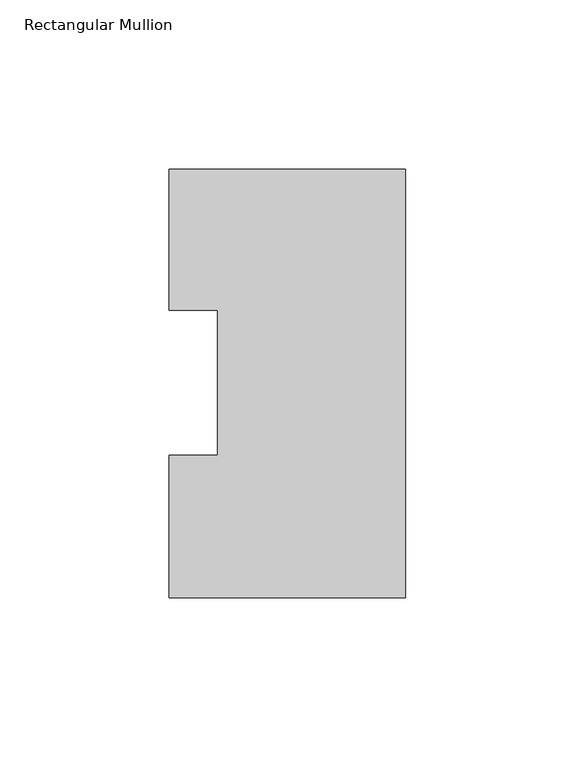
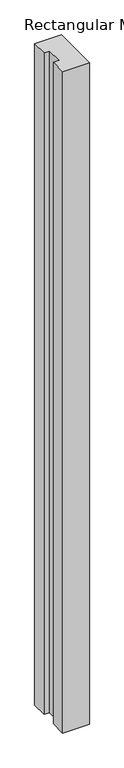
"""IFC4 building model written with IfcOpenShell, lengths in millimetres: member geometry, Rectangular Mullion."""

from ifc_helpers import new_model, si_unit, frame, origin, place, context, project, spatial, polyline, outline, extrude, source, transform, mapped, element, save


def rectangular_mullion_33778ee9(model_context):
    return source(origin(), model_context, "Body", "SweptSolid", [
        extrude(outline(polyline([(-69.85, 0.04445), (-69.85, 42.08145), (-55.5625, 42.08145), (-55.5625, 84.93125), (-69.85, 84.93125), (-69.85, 126.53645), (0.0, 126.53645), (0.0, 0.04445), (-69.85, 0.04445)])), frame((0.0, 0.0, -1828.8), z_axis=(0.0, 0.0, 1.0), x_axis=(1.0, 0.0, 0.0)), (0.0, 0.0, 1.0), 1828.8),
    ])


if __name__ == "__main__":
    model = new_model("IFC4")
    model_context = context("Model", 3, world=origin())
    ifc_project = project(units=[si_unit("LENGTHUNIT", "METRE", prefix="MILLI")], contexts=[model_context])
    site = spatial("IfcSite", under=ifc_project)
    building = spatial("IfcBuilding", under=site)
    placement = place(None, origin())
    rectangular_mullion_shape = rectangular_mullion_33778ee9(model_context)
    element("IfcMember", 1, ObjectType="Rectangular Mullion", at=placement, inside=building, context=model_context, shape_type="MappedRepresentation", body=[
        mapped(rectangular_mullion_shape, transform((0.0, 0.0, 0.0), x_axis=(1.0, 0.0, 0.0), y_axis=(0.0, 1.0, 0.0), z_axis=(0.0, 0.0, 1.0))),
    ])
    save(model, "model.ifc")
